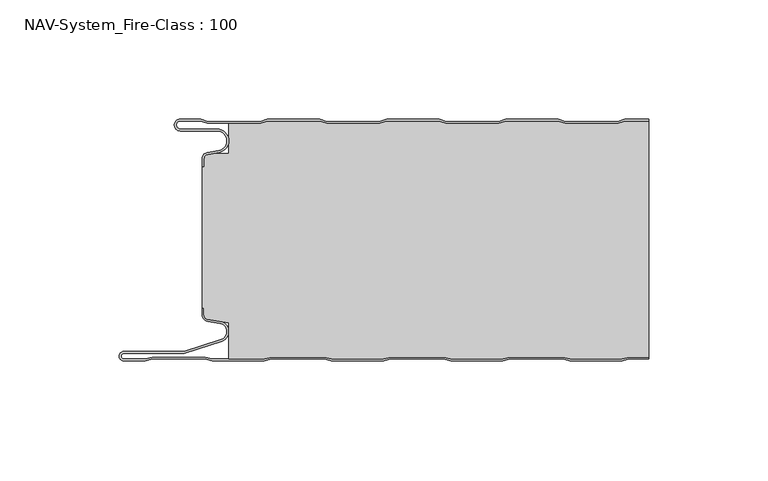
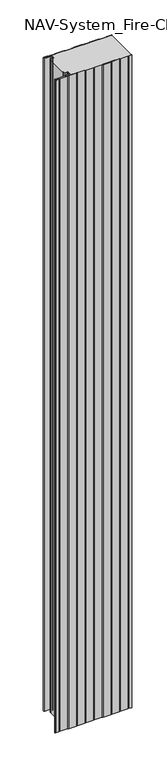
"""IFC4 building model written with IfcOpenShell, lengths in millimetres: plate geometry, NAV-System_Fire-Class : 100."""

from ifc_helpers import new_model, si_unit, frame, origin, place, context, project, spatial, polyline, circle_curve, source, transform, mapped, element, save
from ifc_brep_helpers import plane_surface, cylinder_surface, revolved_surface, advanced_brep


def nav_system_fire_class_100_49f9bff2(model_context):
    return source(origin(), model_context, "Body", "AdvancedBrep", [
        advanced_brep(
        [(-88.6298221, -0.8, 0.0), (-97.0000001, -0.8, 0.0), (-97.0000001, -4.1999999, 0.0), (-81.6002086, -4.1999999, 0.0), (-80.7423864, -14.0049502, 0.0), (-85.6125665, -14.8636946, 0.0), (-87.1000004, -16.6363494, 0.0), (-87.1000014, -19.9421291, 0.0), (-87.9000014, -19.9421291, 0.0), (-87.9000014, -16.6363484, 0.0), (-85.7514853, -14.0758488, 0.0), (-80.8813015, -13.217104, 0.0), (-81.600205, -4.9999999, 0.0), (-97.0000001, -4.9999999, 0.0), (-97.0000001, 0.0, 0.0), (-88.5, 0.0, 0.0), (-85.5, -1.0, 0.0), (-63.5, -1.0, 0.0), (-60.5, 0.0, 0.0), (-38.5, 0.0, 0.0), (-35.5, -1.0, 0.0), (-13.5, -1.0, 0.0), (-10.5, 0.0, 0.0), (11.5, 0.0, 0.0), (14.5, -1.0, 0.0), (36.5, -1.0, 0.0), (39.5, 0.0, 0.0), (61.5, 0.0, 0.0), (64.5, -1.0, 0.0), (86.5, -1.0, 0.0), (89.5, 0.0, 0.0), (99.5, 0.0, 0.0), (99.5, -0.8, 0.0), (89.6298221, -0.8, 0.0), (86.6298221, -1.8, 0.0), (64.3701779, -1.8, 0.0), (61.3701779, -0.8, 0.0), (39.6298221, -0.8, 0.0), (36.6298221, -1.8, 0.0), (14.3701779, -1.8, 0.0), (11.3701779, -0.8, 0.0), (-10.3701779, -0.8, 0.0), (-13.3701779, -1.8, 0.0), (-35.6298221, -1.8, 0.0), (-38.6298221, -0.8, 0.0), (-60.3701779, -0.8, 0.0), (-63.3701779, -1.8, 0.0), (-85.6298221, -1.8, 0.0), (-88.6298221, -0.8, 2000.0), (-85.6298221, -1.8, 2000.0), (-63.3701779, -1.8, 2000.0), (-60.3701779, -0.8, 2000.0), (-38.6298221, -0.8, 2000.0), (-35.6298221, -1.8, 2000.0), (-13.3701779, -1.8, 2000.0), (-10.3701779, -0.8, 2000.0), (11.3701779, -0.8, 2000.0), (14.3701779, -1.8, 2000.0), (36.6298221, -1.8, 2000.0), (39.6298221, -0.8, 2000.0), (61.3701779, -0.8, 2000.0), (64.3701779, -1.8, 2000.0), (86.6298221, -1.8, 2000.0), (89.6298221, -0.8, 2000.0), (99.5, -0.8, 2000.0), (99.5, 0.0, 2000.0), (89.5, 0.0, 2000.0), (86.5, -1.0, 2000.0), (64.5, -1.0, 2000.0), (61.5, 0.0, 2000.0), (39.5, 0.0, 2000.0), (36.5, -1.0, 2000.0), (14.5, -1.0, 2000.0), (11.5, 0.0, 2000.0), (-10.5, 0.0, 2000.0), (-13.5, -1.0, 2000.0), (-35.5, -1.0, 2000.0), (-38.5, 0.0, 2000.0), (-60.5, 0.0, 2000.0), (-63.5, -1.0, 2000.0), (-85.5, -1.0, 2000.0), (-88.5, 0.0, 2000.0), (-97.0000001, 0.0, 2000.0), (-97.0000001, -4.9999999, 2000.0), (-81.600205, -4.9999999, 2000.0), (-80.8813015, -13.217104, 2000.0), (-85.7514853, -14.0758488, 2000.0), (-87.8999997, -16.6363484, 2000.0), (-87.9000014, -19.9421291, 2000.0), (-87.1000014, -19.9421291, 2000.0), (-87.1000014, -16.6363494, 2000.0), (-85.6125665, -14.8636946, 2000.0), (-80.7423864, -14.0049502, 2000.0), (-81.6002086, -4.1999999, 2000.0), (-97.0000001, -4.1999999, 2000.0), (-97.0000001, -0.8000002, 2000.0)],
        [
            (0, 1),
            (1, 2, circle_curve(frame((-97.0000001, -2.5, 0.0), z_axis=(0.0, 0.0, 1.0), x_axis=(1.0, 0.0, 0.0)), 1.6999999)),
            (2, 3),
            (3, 4, circle_curve(frame((-81.6002086, -9.1399999, 0.0), z_axis=(0.0, 0.0, -1.0), x_axis=(1.0, 0.0, 0.0)), 4.94)),
            (4, 5),
            (5, 6, circle_curve(frame((-85.2999995, -16.6363494, 0.0), z_axis=(0.0, 0.0, 1.0), x_axis=(1.0, 0.0, 0.0)), 1.8000009)),
            (6, 7),
            (7, 8),
            (8, 9),
            (9, 10, circle_curve(frame((-85.3000002, -16.6363484, 0.0), z_axis=(0.0, 0.0, -1.0), x_axis=(1.0, 0.0, 0.0)), 2.5999995)),
            (10, 11),
            (11, 12, circle_curve(frame((-81.600205, -9.1399999, 0.0), z_axis=(0.0, 0.0, 1.0), x_axis=(1.0, 0.0, 0.0)), 4.14)),
            (12, 13),
            (13, 14, circle_curve(frame((-97.0000001, -2.4999999, 0.0), z_axis=(0.0, 0.0, -1.0), x_axis=(1.0, 0.0, 0.0)), 2.4999999)),
            (14, 15),
            (15, 16),
            (16, 17),
            (17, 18),
            (18, 19),
            (19, 20),
            (20, 21),
            (21, 22),
            (22, 23),
            (23, 24),
            (24, 25),
            (25, 26),
            (26, 27),
            (27, 28),
            (28, 29),
            (29, 30),
            (30, 31),
            (31, 32),
            (32, 33),
            (33, 34),
            (34, 35),
            (35, 36),
            (36, 37),
            (37, 38),
            (38, 39),
            (39, 40),
            (40, 41),
            (41, 42),
            (42, 43),
            (43, 44),
            (44, 45),
            (45, 46),
            (46, 47),
            (47, 0),
            (48, 49),
            (49, 50),
            (50, 51),
            (51, 52),
            (52, 53),
            (53, 54),
            (54, 55),
            (55, 56),
            (56, 57),
            (57, 58),
            (58, 59),
            (59, 60),
            (60, 61),
            (61, 62),
            (62, 63),
            (63, 64),
            (64, 65),
            (65, 66),
            (66, 67),
            (67, 68),
            (68, 69),
            (69, 70),
            (70, 71),
            (71, 72),
            (72, 73),
            (73, 74),
            (74, 75),
            (75, 76),
            (76, 77),
            (77, 78),
            (78, 79),
            (79, 80),
            (80, 81),
            (81, 82),
            (82, 83, circle_curve(frame((-97.0000001, -2.4999999, 2000.0), z_axis=(0.0, 0.0, 1.0), x_axis=(1.0, 0.0, 0.0)), 2.4999999)),
            (83, 84),
            (84, 85, circle_curve(frame((-81.600205, -9.1399999, 2000.0), z_axis=(0.0, 0.0, -1.0), x_axis=(1.0, 0.0, 0.0)), 4.14)),
            (85, 86),
            (86, 87, circle_curve(frame((-85.3000002, -16.6363484, 2000.0), z_axis=(0.0, 0.0, 1.0), x_axis=(1.0, 0.0, 0.0)), 2.5999995)),
            (87, 88),
            (88, 89),
            (89, 90),
            (90, 91, circle_curve(frame((-85.2999995, -16.6363494, 2000.0), z_axis=(0.0, 0.0, -1.0), x_axis=(1.0, 0.0, 0.0)), 1.8000009)),
            (91, 92),
            (92, 93, circle_curve(frame((-81.6002086, -9.1399999, 2000.0), z_axis=(0.0, 0.0, 1.0), x_axis=(1.0, 0.0, 0.0)), 4.94)),
            (93, 94),
            (94, 95, circle_curve(frame((-97.0000001, -2.5, 2000.0), z_axis=(0.0, 0.0, -1.0), x_axis=(1.0, 0.0, 0.0)), 1.6999999)),
            (95, 48),
            (0, 48),
            (95, 1),
            (14, 82),
            (81, 15),
            (63, 33),
            (32, 64),
            (62, 34),
            (61, 35),
            (60, 36),
            (59, 37),
            (58, 38),
            (57, 39),
            (56, 40),
            (55, 41),
            (54, 42),
            (53, 43),
            (52, 44),
            (51, 45),
            (50, 46),
            (49, 47),
            (80, 16),
            (79, 17),
            (78, 18),
            (77, 19),
            (76, 20),
            (75, 21),
            (74, 22),
            (73, 23),
            (72, 24),
            (71, 25),
            (70, 26),
            (69, 27),
            (68, 28),
            (67, 29),
            (66, 30),
            (65, 31),
            (2, 94),
            (93, 3),
            (6, 90),
            (89, 7),
            (88, 8),
            (87, 9),
            (12, 84),
            (83, 13),
            (92, 4),
            (91, 5),
            (86, 10),
            (85, 11),
        ],
        [
            plane_surface(frame((-99.5, 0.0, 0.0), z_axis=(0.0, 0.0, -1.0), x_axis=(0.0, -1.0, 0.0))),
            plane_surface(frame((-99.5, 0.0, 2000.0), z_axis=(0.0, 0.0, 1.0), x_axis=(0.0, -1.0, 0.0))),
            plane_surface(frame((-88.6298221, -0.8, 0.0), z_axis=(0.0, -1.0, 0.0), x_axis=(0.0, 0.0, 1.0))),
            plane_surface(frame((-97.0000001, 0.0, 0.0), z_axis=(0.0, 1.0, 0.0), x_axis=(0.0, 0.0, 1.0))),
            plane_surface(frame((111.3701779, -0.8, 0.0), z_axis=(0.0, -1.0, 0.0), x_axis=(0.0, 0.0, 1.0))),
            plane_surface(frame((89.6298221, -0.8, 0.0), z_axis=(0.3162277660167413, -0.9486832980505461, 0.0), x_axis=(0.0, 0.0, 1.0))),
            plane_surface(frame((86.6298221, -1.8, 0.0), z_axis=(0.0, -1.0, 0.0), x_axis=(0.0, 0.0, 1.0))),
            plane_surface(frame((64.3701779, -1.8, 0.0), z_axis=(-0.31622776601675356, -0.948683298050542, 0.0), x_axis=(0.0, 0.0, 1.0))),
            plane_surface(frame((61.3701779, -0.8, 0.0), z_axis=(0.0, -1.0, 0.0), x_axis=(0.0, 0.0, 1.0))),
            plane_surface(frame((39.6298221, -0.8, 0.0), z_axis=(0.31622776601679226, -0.9486832980505291, 0.0), x_axis=(0.0, 0.0, 1.0))),
            plane_surface(frame((36.6298221, -1.8, 0.0), z_axis=(0.0, -1.0, 0.0), x_axis=(0.0, 0.0, 1.0))),
            plane_surface(frame((14.3701779, -1.8, 0.0), z_axis=(-0.3162277660168045, -0.948683298050525, 0.0), x_axis=(0.0, 0.0, 1.0))),
            plane_surface(frame((11.3701779, -0.8, 0.0), z_axis=(0.0, -1.0, 0.0), x_axis=(0.0, 0.0, 1.0))),
            plane_surface(frame((-10.3701779, -0.8, 0.0), z_axis=(0.31622776601679226, -0.9486832980505291, 0.0), x_axis=(0.0, 0.0, 1.0))),
            plane_surface(frame((-13.3701779, -1.8, 0.0), z_axis=(0.0, -1.0, 0.0), x_axis=(0.0, 0.0, 1.0))),
            plane_surface(frame((-35.6298221, -1.8, 0.0), z_axis=(-0.3162277660168045, -0.948683298050525, 0.0), x_axis=(0.0, 0.0, 1.0))),
            plane_surface(frame((-38.6298221, -0.8, 0.0), z_axis=(0.0, -1.0, 0.0), x_axis=(0.0, 0.0, 1.0))),
            plane_surface(frame((-60.3701779, -0.8, 0.0), z_axis=(0.3162277660167413, -0.9486832980505461, 0.0), x_axis=(0.0, 0.0, 1.0))),
            plane_surface(frame((-63.3701779, -1.8, 0.0), z_axis=(0.0, -1.0, 0.0), x_axis=(0.0, 0.0, 1.0))),
            plane_surface(frame((-85.6298221, -1.8, 0.0), z_axis=(-0.3162277660167413, -0.9486832980505461, 0.0), x_axis=(0.0, 0.0, 1.0))),
            plane_surface(frame((-88.5, 0.0, 0.0), z_axis=(0.31622776601671865, 0.9486832980505536, 0.0), x_axis=(0.0, 0.0, 1.0))),
            plane_surface(frame((-85.5, -1.0, 0.0), z_axis=(0.0, 1.0, 0.0), x_axis=(0.0, 0.0, 1.0))),
            plane_surface(frame((-63.5, -1.0, 0.0), z_axis=(-0.31622776601671865, 0.9486832980505536, 0.0), x_axis=(0.0, 0.0, 1.0))),
            plane_surface(frame((-60.5, 0.0, 0.0), z_axis=(0.0, 1.0, 0.0), x_axis=(0.0, 0.0, 1.0))),
            plane_surface(frame((-38.5, 0.0, 0.0), z_axis=(0.31622776601678754, 0.9486832980505306, 0.0), x_axis=(0.0, 0.0, 1.0))),
            plane_surface(frame((-35.5, -1.0, 0.0), z_axis=(0.0, 1.0, 0.0), x_axis=(0.0, 0.0, 1.0))),
            plane_surface(frame((-13.5, -1.0, 0.0), z_axis=(-0.3162277660167752, 0.9486832980505348, 0.0), x_axis=(0.0, 0.0, 1.0))),
            plane_surface(frame((-10.5, 0.0, 0.0), z_axis=(0.0, 1.0, 0.0), x_axis=(0.0, 0.0, 1.0))),
            plane_surface(frame((11.5, 0.0, 0.0), z_axis=(0.31622776601678754, 0.9486832980505306, 0.0), x_axis=(0.0, 0.0, 1.0))),
            plane_surface(frame((14.5, -1.0, 0.0), z_axis=(0.0, 1.0, 0.0), x_axis=(0.0, 0.0, 1.0))),
            plane_surface(frame((36.5, -1.0, 0.0), z_axis=(-0.3162277660167752, 0.9486832980505348, 0.0), x_axis=(0.0, 0.0, 1.0))),
            plane_surface(frame((39.5, 0.0, 0.0), z_axis=(0.0, 1.0, 0.0), x_axis=(0.0, 0.0, 1.0))),
            plane_surface(frame((61.5, 0.0, 0.0), z_axis=(0.3162277660167309, 0.9486832980505495, 0.0), x_axis=(0.0, 0.0, 1.0))),
            plane_surface(frame((64.5, -1.0, 0.0), z_axis=(0.0, 1.0, 0.0), x_axis=(0.0, 0.0, 1.0))),
            plane_surface(frame((86.5, -1.0, 0.0), z_axis=(-0.31622776601671865, 0.9486832980505536, 0.0), x_axis=(0.0, 0.0, 1.0))),
            plane_surface(frame((89.5, 0.0, 0.0), z_axis=(0.0, 1.0, 0.0), x_axis=(0.0, 0.0, 1.0))),
            plane_surface(frame((-97.0000001, -4.1999999, 0.0), z_axis=(0.0, 1.0, 0.0), x_axis=(0.0, 0.0, 1.0))),
            plane_surface(frame((-87.1000014, -16.6363494, 0.0), z_axis=(1.0, 0.0, 0.0), x_axis=(0.0, 0.0, 1.0))),
            plane_surface(frame((-87.1000014, -19.9421291, 0.0), z_axis=(0.0, -1.0, 0.0), x_axis=(0.0, 0.0, 1.0))),
            plane_surface(frame((-87.9000014, -19.9421291, 0.0), z_axis=(-1.0, 0.0, 0.0), x_axis=(0.0, 0.0, 1.0))),
            plane_surface(frame((-81.600205, -4.9999999, 0.0), z_axis=(0.0, -1.0, 0.0), x_axis=(0.0, 0.0, 1.0))),
            revolved_surface(polyline([(-95.3000002, -2.5, 2000.0), (-95.3000002, -2.5, 0.0)]), (-97.0000001, -2.5, 0.0), (0.0, 0.0, 1.0)),
            cylinder_surface(frame((-81.6002086, -9.1399999, 0.0), z_axis=(0.0, 0.0, -1.0), x_axis=(1.0, 0.0, 0.0)), 4.94),
            plane_surface(frame((-80.7423864, -14.0049502, 0.0), z_axis=(0.17364822279076972, -0.9848077450556567, 0.0), x_axis=(0.0, 0.0, 1.0))),
            revolved_surface(polyline([(-83.4999986, -16.6363494, 2000.0), (-83.4999986, -16.6363494, 0.0)]), (-85.2999995, -16.6363494, 0.0), (0.0, 0.0, 1.0)),
            cylinder_surface(frame((-85.3000002, -16.6363484, 0.0), z_axis=(0.0, 0.0, -1.0), x_axis=(1.0, 0.0, 0.0)), 2.5999995),
            plane_surface(frame((-85.7514853, -14.0758488, 0.0), z_axis=(-0.17364817295915452, 0.984807753842316, 0.0), x_axis=(0.0, 0.0, 1.0))),
            revolved_surface(polyline([(-77.460205, -9.1399999, 2000.0), (-77.460205, -9.1399999, 0.0)]), (-81.600205, -9.1399999, 0.0), (0.0, 0.0, 1.0)),
            cylinder_surface(frame((-97.0000001, -2.4999999, 0.0), z_axis=(0.0, 0.0, -1.0), x_axis=(1.0, 0.0, 0.0)), 2.4999999),
            plane_surface(frame((99.5, 100.0, 2000.0), z_axis=(1.0, 0.0, 0.0), x_axis=(0.0, 0.0, -1.0))),
        ],
        [
            (0, [[1, 2, 3, 4, 5, 6, 7, 8, 9, 10, 11, 12, 13, 14, 15, 16, 17, 18, 19, 20, 21, 22, 23, 24, 25, 26, 27, 28, 29, 30, 31, 32, 33, 34, 35, 36, 37, 38, 39, 40, 41, 42, 43, 44, 45, 46, 47, 48]]),
            (1, [[49, 50, 51, 52, 53, 54, 55, 56, 57, 58, 59, 60, 61, 62, 63, 64, 65, 66, 67, 68, 69, 70, 71, 72, 73, 74, 75, 76, 77, 78, 79, 80, 81, 82, 83, 84, 85, 86, 87, 88, 89, 90, 91, 92, 93, 94, 95, 96]]),
            (2, [[-1, 97, -96, 98]]),
            (3, [[-15, 99, -82, 100]]),
            (4, [[101, -33, 102, -64]]),
            (5, [[-34, -101, -63, 103]]),
            (6, [[-35, -103, -62, 104]]),
            (7, [[-36, -104, -61, 105]]),
            (8, [[-37, -105, -60, 106]]),
            (9, [[-38, -106, -59, 107]]),
            (10, [[-39, -107, -58, 108]]),
            (11, [[-40, -108, -57, 109]]),
            (12, [[-41, -109, -56, 110]]),
            (13, [[-42, -110, -55, 111]]),
            (14, [[-43, -111, -54, 112]]),
            (15, [[-44, -112, -53, 113]]),
            (16, [[-45, -113, -52, 114]]),
            (17, [[-46, -114, -51, 115]]),
            (18, [[-47, -115, -50, 116]]),
            (19, [[-48, -116, -49, -97]]),
            (20, [[-16, -100, -81, 117]]),
            (21, [[-17, -117, -80, 118]]),
            (22, [[-18, -118, -79, 119]]),
            (23, [[-19, -119, -78, 120]]),
            (24, [[-20, -120, -77, 121]]),
            (25, [[-21, -121, -76, 122]]),
            (26, [[-22, -122, -75, 123]]),
            (27, [[-23, -123, -74, 124]]),
            (28, [[-24, -124, -73, 125]]),
            (29, [[-25, -125, -72, 126]]),
            (30, [[-26, -126, -71, 127]]),
            (31, [[-27, -127, -70, 128]]),
            (32, [[-28, -128, -69, 129]]),
            (33, [[-29, -129, -68, 130]]),
            (34, [[-30, -130, -67, 131]]),
            (35, [[-131, -66, 132, -31]]),
            (36, [[-3, 133, -94, 134]]),
            (37, [[-7, 135, -90, 136]]),
            (38, [[-8, -136, -89, 137]]),
            (39, [[-9, -137, -88, 138]]),
            (40, [[-13, 139, -84, 140]]),
            (41, [[-2, -98, -95, -133]]),
            (42, [[-4, -134, -93, 141]]),
            (43, [[-5, -141, -92, 142]]),
            (44, [[-6, -142, -91, -135]]),
            (45, [[-10, -138, -87, 143]]),
            (46, [[-11, -143, -86, 144]]),
            (47, [[-12, -144, -85, -139]]),
            (48, [[-14, -140, -83, -99]]),
            (49, [[-32, -132, -65, -102]]),
        ],
    ),
        advanced_brep(
        [(89.6181262, -0.8, 2000.0), (86.6181262, -1.8, 2000.0), (64.3584819, -1.8, 2000.0), (61.3584819, -0.8, 2000.0), (39.6181262, -0.8, 2000.0), (36.6181262, -1.8, 2000.0), (14.3584819, -1.8, 2000.0), (11.3584819, -0.8, 2000.0), (-10.3818738, -0.8, 2000.0), (-13.3818738, -1.8, 2000.0), (-35.6415181, -1.8, 2000.0), (-38.6415181, -0.8, 2000.0), (-60.3818738, -0.8, 2000.0), (-63.3818738, -1.8, 2000.0), (-76.6719045, -1.8, 2000.0), (-76.6719045, -14.4343223, 2000.0), (-83.1891722, -14.4343223, 2000.0), (-85.6242625, -14.8636946, 2000.0), (-87.1116964, -16.636349, 2000.0), (-87.1116974, -19.9512003, 2000.0), (-87.9116974, -19.9512003, 2000.0), (-87.9116974, -79.3983656, 2000.0), (-87.1116974, -79.3983656, 2000.0), (-87.1116974, -82.1656409, 2000.0), (-85.4245663, -84.1410176, 2000.0), (-76.6248082, -85.5347623, 2000.0), (-76.6248082, -100.8, 2000.0), (-61.8218295, -100.8, 2000.0), (-58.7610803, -100.0, 2000.0), (-36.5891849, -100.0, 2000.0), (-33.5284357, -100.8, 2000.0), (-11.8218295, -100.8, 2000.0), (-8.7610803, -100.0, 2000.0), (13.4108151, -100.0, 2000.0), (16.4715643, -100.8, 2000.0), (38.1904, -100.8, 2000.0), (41.2511493, -100.0, 2000.0), (63.4108151, -100.0, 2000.0), (66.4715643, -100.8, 2000.0), (88.1781705, -100.8, 2000.0), (91.2389197, -100.0, 2000.0), (99.5, -100.0, 2000.0), (99.5, -0.8, 2000.0), (91.2389197, -100.0, 0.0), (88.1781705, -100.8, 0.0), (66.4715643, -100.8, 0.0), (63.4108151, -100.0, 0.0), (41.2511493, -100.0, 0.0), (38.1904, -100.8, 0.0), (16.4715643, -100.8, 0.0), (13.4108151, -100.0, 0.0), (-8.7610803, -100.0, 0.0), (-11.8218295, -100.8, 0.0), (-33.5284357, -100.8, 0.0), (-36.5891849, -100.0, 0.0), (-58.7610803, -100.0, 0.0), (-61.8218295, -100.8, 0.0), (-76.6248082, -100.8, 0.0), (-76.6248082, -85.5347623, 0.0), (-85.4245663, -84.1410176, 0.0), (-87.1116974, -82.1656409, 0.0), (-87.1116974, -79.3983656, 0.0), (-87.9116974, -79.3983656, 0.0), (-87.9116974, -19.9512003, 0.0), (-87.1116974, -19.9512003, 0.0), (-87.1116974, -16.636349, 0.0), (-85.6242625, -14.8636946, 0.0), (-83.1891722, -14.4343223, 0.0), (-76.6719045, -14.4343223, 0.0), (-76.6719045, -1.8, 0.0), (-63.3818738, -1.8, 0.0), (-60.3818738, -0.8, 0.0), (-38.6415181, -0.8, 0.0), (-35.6415181, -1.8, 0.0), (-13.3818738, -1.8, 0.0), (-10.3818738, -0.8, 0.0), (11.3584819, -0.8, 0.0), (14.3584819, -1.8, 0.0), (36.6181262, -1.8, 0.0), (39.6181262, -0.8, 0.0), (61.3584819, -0.8, 0.0), (64.3584819, -1.8, 0.0), (86.6181262, -1.8, 0.0), (89.6181262, -0.8, 0.0), (99.5, -0.8, 0.0), (99.5, -100.0, 0.0)],
        [
            (0, 1),
            (1, 2),
            (2, 3),
            (3, 4),
            (4, 5),
            (5, 6),
            (6, 7),
            (7, 8),
            (8, 9),
            (9, 10),
            (10, 11),
            (11, 12),
            (12, 13),
            (13, 14),
            (14, 15),
            (15, 16),
            (16, 17),
            (17, 18, circle_curve(frame((-85.3116955, -16.6363494, 2000.0), z_axis=(0.0, 0.0, 1.0), x_axis=(1.0, 0.0, 0.0)), 1.8000009)),
            (18, 19),
            (19, 20),
            (20, 21),
            (21, 22),
            (22, 23),
            (23, 24, circle_curve(frame((-85.1116974, -82.1656409, 2000.0), z_axis=(0.0, 0.0, 1.0), x_axis=(1.0, 0.0, 0.0)), 2.0)),
            (24, 25),
            (25, 26),
            (26, 27),
            (27, 28),
            (28, 29),
            (29, 30),
            (30, 31),
            (31, 32),
            (32, 33),
            (33, 34),
            (34, 35),
            (35, 36),
            (36, 37),
            (37, 38),
            (38, 39),
            (39, 40),
            (40, 41),
            (41, 42),
            (42, 0),
            (43, 44),
            (44, 45),
            (45, 46),
            (46, 47),
            (47, 48),
            (48, 49),
            (49, 50),
            (50, 51),
            (51, 52),
            (52, 53),
            (53, 54),
            (54, 55),
            (55, 56),
            (56, 57),
            (57, 58),
            (58, 59),
            (59, 60, circle_curve(frame((-85.1116974, -82.1656409, 0.0), z_axis=(0.0, 0.0, -1.0), x_axis=(1.0, 0.0, 0.0)), 2.0)),
            (60, 61),
            (61, 62),
            (62, 63),
            (63, 64),
            (64, 65),
            (65, 66, circle_curve(frame((-85.3116955, -16.6363494, 0.0), z_axis=(0.0, 0.0, -1.0), x_axis=(1.0, 0.0, 0.0)), 1.8000009)),
            (66, 67),
            (67, 68),
            (68, 69),
            (69, 70),
            (70, 71),
            (71, 72),
            (72, 73),
            (73, 74),
            (74, 75),
            (75, 76),
            (76, 77),
            (77, 78),
            (78, 79),
            (79, 80),
            (80, 81),
            (81, 82),
            (82, 83),
            (83, 84),
            (84, 85),
            (85, 43),
            (83, 0),
            (42, 84),
            (82, 1),
            (81, 2),
            (80, 3),
            (79, 4),
            (78, 5),
            (77, 6),
            (76, 7),
            (75, 8),
            (74, 9),
            (73, 10),
            (72, 11),
            (71, 12),
            (70, 13),
            (69, 14),
            (68, 15),
            (67, 16),
            (66, 17),
            (65, 18),
            (64, 19),
            (63, 20),
            (62, 21),
            (61, 22),
            (60, 23),
            (59, 24),
            (58, 25),
            (57, 26),
            (56, 27),
            (55, 28),
            (54, 29),
            (53, 30),
            (52, 31),
            (51, 32),
            (50, 33),
            (49, 34),
            (48, 35),
            (47, 36),
            (46, 37),
            (45, 38),
            (44, 39),
            (43, 40),
            (85, 41),
        ],
        [
            plane_surface(frame((-99.5, 0.0, 2000.0), z_axis=(0.0, 0.0, 1.0), x_axis=(0.0, -1.0, 0.0))),
            plane_surface(frame((-99.5, 0.0, 0.0), z_axis=(0.0, 0.0, -1.0), x_axis=(0.0, -1.0, 0.0))),
            plane_surface(frame((111.3584819, -0.8, 2000.0), z_axis=(0.0, 1.0, 0.0), x_axis=(0.0, 0.0, -1.0))),
            plane_surface(frame((89.6181262, -0.8, 2000.0), z_axis=(-0.31622776601684405, 0.9486832980505119, 0.0), x_axis=(0.0, 0.0, -1.0))),
            plane_surface(frame((86.6181262, -1.8, 2000.0), z_axis=(0.0, 1.0, 0.0), x_axis=(0.0, 0.0, -1.0))),
            plane_surface(frame((64.3584819, -1.8, 2000.0), z_axis=(0.3162277660164755, 0.9486832980506347, 0.0), x_axis=(0.0, 0.0, -1.0))),
            plane_surface(frame((61.3584819, -0.8, 2000.0), z_axis=(0.0, 1.0, 0.0), x_axis=(0.0, 0.0, -1.0))),
            plane_surface(frame((39.6181262, -0.8, 2000.0), z_axis=(-0.3162277660169692, 0.94868329805047, 0.0), x_axis=(0.0, 0.0, -1.0))),
            plane_surface(frame((36.6181262, -1.8, 2000.0), z_axis=(0.0, 1.0, 0.0), x_axis=(0.0, 0.0, -1.0))),
            plane_surface(frame((14.3584819, -1.8, 2000.0), z_axis=(0.31622776601655256, 0.948683298050609, 0.0), x_axis=(0.0, 0.0, -1.0))),
            plane_surface(frame((11.3584819, -0.8, 2000.0), z_axis=(0.0, 1.0, 0.0), x_axis=(0.0, 0.0, -1.0))),
            plane_surface(frame((-10.3818738, -0.8, 2000.0), z_axis=(-0.31622776601696284, 0.9486832980504722, 0.0), x_axis=(0.0, 0.0, -1.0))),
            plane_surface(frame((-13.3818738, -1.8, 2000.0), z_axis=(0.0, 1.0, 0.0), x_axis=(0.0, 0.0, -1.0))),
            plane_surface(frame((-35.6415181, -1.8, 2000.0), z_axis=(0.31622776601661995, 0.9486832980505865, 0.0), x_axis=(0.0, 0.0, -1.0))),
            plane_surface(frame((-38.6415181, -0.8, 2000.0), z_axis=(0.0, 1.0, 0.0), x_axis=(0.0, 0.0, -1.0))),
            plane_surface(frame((-60.3818738, -0.8, 2000.0), z_axis=(-0.3162277660168055, 0.9486832980505246, 0.0), x_axis=(0.0, 0.0, -1.0))),
            plane_surface(frame((-63.3818738, -1.8, 2000.0), z_axis=(0.0, 1.0, 0.0), x_axis=(0.0, 0.0, -1.0))),
            plane_surface(frame((-76.6719045, -1.8, 2000.0), z_axis=(-1.0, 0.0, 0.0), x_axis=(0.0, 0.0, -1.0))),
            plane_surface(frame((-76.6719045, -14.4343223, 2000.0), z_axis=(0.0, 1.0, 0.0), x_axis=(0.0, 0.0, -1.0))),
            plane_surface(frame((-83.1891722, -14.4343223, 2000.0), z_axis=(-0.17364822279077605, 0.9848077450556556, 0.0), x_axis=(0.0, 0.0, -1.0))),
            cylinder_surface(frame((-85.3116955, -16.6363494, 2000.0), z_axis=(0.0, 0.0, 1.0), x_axis=(1.0, 0.0, 0.0)), 1.8000009),
            plane_surface(frame((-87.1116974, -16.636349, 2000.0), z_axis=(-1.0, 0.0, 0.0), x_axis=(0.0, 0.0, -1.0))),
            plane_surface(frame((-87.1116974, -19.9512003, 2000.0), z_axis=(0.0, 1.0, 0.0), x_axis=(0.0, 0.0, -1.0))),
            plane_surface(frame((-87.9116974, -19.9512003, 2000.0), z_axis=(-1.0, 0.0, 0.0), x_axis=(0.0, 0.0, -1.0))),
            plane_surface(frame((-87.9116974, -79.3983656, 2000.0), z_axis=(0.0, -1.0, 0.0), x_axis=(0.0, 0.0, -1.0))),
            plane_surface(frame((-87.1116974, -79.3983656, 2000.0), z_axis=(-1.0, 0.0, 0.0), x_axis=(0.0, 0.0, -1.0))),
            cylinder_surface(frame((-85.1116974, -82.1656409, 2000.0), z_axis=(0.0, 0.0, 1.0), x_axis=(1.0, 0.0, 0.0)), 2.0),
            plane_surface(frame((-85.4245663, -84.1410176, 2000.0), z_axis=(-0.15643446504001107, -0.9876883405951726, 0.0), x_axis=(0.0, 0.0, -1.0))),
            plane_surface(frame((-76.6248082, -85.5347623, 2000.0), z_axis=(-1.0, 0.0, 0.0), x_axis=(0.0, 0.0, -1.0))),
            plane_surface(frame((-76.6248082, -100.8, 2000.0), z_axis=(0.0, -1.0, 0.0), x_axis=(0.0, 0.0, -1.0))),
            plane_surface(frame((-61.8218295, -100.8, 2000.0), z_axis=(0.25287873100818337, -0.9674979831522601, 0.0), x_axis=(0.0, 0.0, -1.0))),
            plane_surface(frame((-58.7610803, -100.0, 2000.0), z_axis=(0.0, -1.0, 0.0), x_axis=(0.0, 0.0, -1.0))),
            plane_surface(frame((-36.5891849, -100.0, 2000.0), z_axis=(-0.2528787310087691, -0.967497983152107, 0.0), x_axis=(0.0, 0.0, -1.0))),
            plane_surface(frame((-33.5284357, -100.8, 2000.0), z_axis=(0.0, -1.0, 0.0), x_axis=(0.0, 0.0, -1.0))),
            plane_surface(frame((-11.8218295, -100.8, 2000.0), z_axis=(0.25287873100830627, -0.9674979831522279, 0.0), x_axis=(0.0, 0.0, -1.0))),
            plane_surface(frame((-8.7610803, -100.0, 2000.0), z_axis=(0.0, -1.0, 0.0), x_axis=(0.0, 0.0, -1.0))),
            plane_surface(frame((13.4108151, -100.0, 2000.0), z_axis=(-0.25287873100840635, -0.9674979831522017, 0.0), x_axis=(0.0, 0.0, -1.0))),
            plane_surface(frame((16.4715643, -100.8, 2000.0), z_axis=(0.0, -1.0, 0.0), x_axis=(0.0, 0.0, -1.0))),
            plane_surface(frame((38.1904, -100.8, 2000.0), z_axis=(0.25287873100815833, -0.9674979831522666, 0.0), x_axis=(0.0, 0.0, -1.0))),
            plane_surface(frame((41.2511493, -100.0, 2000.0), z_axis=(0.0, -1.0, 0.0), x_axis=(0.0, 0.0, -1.0))),
            plane_surface(frame((63.4108151, -100.0, 2000.0), z_axis=(-0.252878731008344, -0.967497983152218, 0.0), x_axis=(0.0, 0.0, -1.0))),
            plane_surface(frame((66.4715643, -100.8, 2000.0), z_axis=(0.0, -1.0, 0.0), x_axis=(0.0, 0.0, -1.0))),
            plane_surface(frame((88.1781705, -100.8, 2000.0), z_axis=(0.2528787310082885, -0.9674979831522326, 0.0), x_axis=(0.0, 0.0, -1.0))),
            plane_surface(frame((91.2389197, -100.0, 2000.0), z_axis=(0.0, -1.0, 0.0), x_axis=(0.0, 0.0, -1.0))),
            plane_surface(frame((99.5, 100.0, 2000.0), z_axis=(1.0, 0.0, 0.0), x_axis=(0.0, 0.0, -1.0))),
        ],
        [
            (0, [[1, 2, 3, 4, 5, 6, 7, 8, 9, 10, 11, 12, 13, 14, 15, 16, 17, 18, 19, 20, 21, 22, 23, 24, 25, 26, 27, 28, 29, 30, 31, 32, 33, 34, 35, 36, 37, 38, 39, 40, 41, 42, 43]]),
            (1, [[44, 45, 46, 47, 48, 49, 50, 51, 52, 53, 54, 55, 56, 57, 58, 59, 60, 61, 62, 63, 64, 65, 66, 67, 68, 69, 70, 71, 72, 73, 74, 75, 76, 77, 78, 79, 80, 81, 82, 83, 84, 85, 86]]),
            (2, [[87, -43, 88, -84]]),
            (3, [[-1, -87, -83, 89]]),
            (4, [[-2, -89, -82, 90]]),
            (5, [[-3, -90, -81, 91]]),
            (6, [[-4, -91, -80, 92]]),
            (7, [[-5, -92, -79, 93]]),
            (8, [[-6, -93, -78, 94]]),
            (9, [[-7, -94, -77, 95]]),
            (10, [[-8, -95, -76, 96]]),
            (11, [[-9, -96, -75, 97]]),
            (12, [[-10, -97, -74, 98]]),
            (13, [[-11, -98, -73, 99]]),
            (14, [[-12, -99, -72, 100]]),
            (15, [[-13, -100, -71, 101]]),
            (16, [[-14, -101, -70, 102]]),
            (17, [[-15, -102, -69, 103]]),
            (18, [[-16, -103, -68, 104]]),
            (19, [[-17, -104, -67, 105]]),
            (20, [[-18, -105, -66, 106]]),
            (21, [[-19, -106, -65, 107]]),
            (22, [[-20, -107, -64, 108]]),
            (23, [[-21, -108, -63, 109]]),
            (24, [[-22, -109, -62, 110]]),
            (25, [[-23, -110, -61, 111]]),
            (26, [[-24, -111, -60, 112]]),
            (27, [[-25, -112, -59, 113]]),
            (28, [[-26, -113, -58, 114]]),
            (29, [[-27, -114, -57, 115]]),
            (30, [[-28, -115, -56, 116]]),
            (31, [[-29, -116, -55, 117]]),
            (32, [[-30, -117, -54, 118]]),
            (33, [[-31, -118, -53, 119]]),
            (34, [[-32, -119, -52, 120]]),
            (35, [[-33, -120, -51, 121]]),
            (36, [[-34, -121, -50, 122]]),
            (37, [[-35, -122, -49, 123]]),
            (38, [[-36, -123, -48, 124]]),
            (39, [[-37, -124, -47, 125]]),
            (40, [[-38, -125, -46, 126]]),
            (41, [[-39, -126, -45, 127]]),
            (42, [[-40, -127, -44, 128]]),
            (43, [[-128, -86, 129, -41]]),
            (44, [[-42, -129, -85, -88]]),
        ],
    ),
        advanced_brep(
        [(91.239397, -100.0, 2000.0), (88.1786477, -100.8, 2000.0), (66.4720416, -100.8, 2000.0), (63.4112923, -100.0, 2000.0), (41.2516265, -100.0, 2000.0), (38.1908772, -100.8, 2000.0), (16.4720416, -100.8, 2000.0), (13.4112923, -100.0, 2000.0), (-8.760603, -100.0, 2000.0), (-11.8213523, -100.8, 2000.0), (-33.5279584, -100.8, 2000.0), (-36.5887077, -100.0, 2000.0), (-58.760603, -100.0, 2000.0), (-61.8213523, -100.8, 2000.0), (-83.5279584, -100.8, 2000.0), (-86.5887077, -100.0, 2000.0), (-108.760603, -100.0, 2000.0), (-111.8190206, -100.7993906, 2000.0), (-120.7154182, -100.7993906, 2000.0), (-120.6771783, -98.4000003, 2000.0), (-95.3414726, -98.4000003, 2000.0), (-79.6231923, -93.2926893, 2000.0), (-80.2358126, -84.9629887, 2000.0), (-85.4240891, -84.1412465, 2000.0), (-87.1112201, -82.1658698, 2000.0), (-87.1112201, -79.3985945, 2000.0), (-87.9112201, -79.3985945, 2000.0), (-87.9112201, -82.1658698, 2000.0), (-85.5140582, -84.93674, 2000.0), (-80.4044746, -85.7460185, 2000.0), (-79.8704103, -92.5316172, 2000.0), (-95.4681798, -97.6000003, 2000.0), (-120.6771783, -97.6000003, 2000.0), (-120.726556, -101.5993906, 2000.0), (-111.7161981, -101.5993906, 2000.0), (-108.6577806, -100.8, 2000.0), (-86.6915302, -100.8, 2000.0), (-83.6307809, -101.6, 2000.0), (-61.7185298, -101.6, 2000.0), (-58.6577806, -100.8, 2000.0), (-36.6915302, -100.8, 2000.0), (-33.6307809, -101.6, 2000.0), (-11.7185298, -101.6, 2000.0), (-8.6577806, -100.8, 2000.0), (13.3084698, -100.8, 2000.0), (16.3692191, -101.6, 2000.0), (38.2936997, -101.6, 2000.0), (41.354449, -100.8, 2000.0), (63.3084698, -100.8, 2000.0), (66.3692191, -101.6, 2000.0), (88.2814702, -101.6, 2000.0), (91.3422194, -100.8, 2000.0), (99.5, -100.8, 2000.0), (99.5, -100.0, 2000.0), (91.3422194, -100.8, 0.0), (88.2814702, -101.6, 0.0), (66.3692191, -101.6, 0.0), (63.3084698, -100.8, 0.0), (41.354449, -100.8, 0.0), (38.2936997, -101.6, 0.0), (16.3692191, -101.6, 0.0), (13.3084698, -100.8, 0.0), (-8.6577806, -100.8, 0.0), (-11.7185298, -101.6, 0.0), (-33.6307809, -101.6, 0.0), (-36.6915302, -100.8, 0.0), (-58.6577806, -100.8, 0.0), (-61.7185298, -101.6, 0.0), (-83.6307809, -101.6, 0.0), (-86.6915302, -100.8, 0.0), (-108.6577806, -100.8, 0.0), (-111.7161981, -101.5993906, 0.0), (-120.726556, -101.5993906, 0.0), (-120.6771783, -97.6000003, 0.0), (-95.4681798, -97.6000003, 0.0), (-79.8704103, -92.5318461, 0.0), (-80.4044746, -85.7460185, 0.0), (-85.5140582, -84.93674, 0.0), (-87.9112201, -82.1658698, 0.0), (-87.9112201, -79.3985945, 0.0), (-87.1112201, -79.3985945, 0.0), (-87.1112201, -82.1658698, 0.0), (-85.4240891, -84.1412465, 0.0), (-80.2358126, -84.9629887, 0.0), (-79.6231923, -93.2924604, 0.0), (-95.3414726, -98.4000003, 0.0), (-120.6771783, -98.4000003, 0.0), (-120.7154182, -100.7993906, 0.0), (-111.8190206, -100.7993906, 0.0), (-108.760603, -100.0, 0.0), (-86.5887077, -100.0, 0.0), (-83.5279584, -100.8, 0.0), (-61.8213523, -100.8, 0.0), (-58.760603, -100.0, 0.0), (-36.5887077, -100.0, 0.0), (-33.5279584, -100.8, 0.0), (-11.8213523, -100.8, 0.0), (-8.760603, -100.0, 0.0), (13.4112923, -100.0, 0.0), (16.4720416, -100.8, 0.0), (38.1908772, -100.8, 0.0), (41.2516265, -100.0, 0.0), (63.4112923, -100.0, 0.0), (66.4720416, -100.8, 0.0), (88.1786477, -100.8, 0.0), (91.239397, -100.0, 0.0), (99.5, -100.0, 0.0), (99.5, -100.8, 0.0)],
        [
            (0, 1),
            (1, 2),
            (2, 3),
            (3, 4),
            (4, 5),
            (5, 6),
            (6, 7),
            (7, 8),
            (8, 9),
            (9, 10),
            (10, 11),
            (11, 12),
            (12, 13),
            (13, 14),
            (14, 15),
            (15, 16),
            (16, 17),
            (17, 18),
            (18, 19, circle_curve(frame((-120.6771783, -99.6000001, 2000.0), z_axis=(0.0, 0.0, -1.0), x_axis=(1.0, 0.0, 0.0)), 1.1999999)),
            (19, 20),
            (20, 21),
            (21, 22, circle_curve(frame((-80.9519964, -89.2029275, 2000.0), z_axis=(0.0, 0.0, 1.0), x_axis=(1.0, 0.0, 0.0)), 4.3)),
            (22, 23),
            (23, 24, circle_curve(frame((-85.1112201, -82.1658698, 2000.0), z_axis=(0.0, 0.0, -1.0), x_axis=(1.0, 0.0, 0.0)), 2.0)),
            (24, 25),
            (25, 26),
            (26, 27),
            (27, 28, circle_curve(frame((-85.1112201, -82.1658698, 2000.0), z_axis=(0.0, 0.0, 1.0), x_axis=(1.0, 0.0, 0.0)), 2.8)),
            (28, 29),
            (29, 30, circle_curve(frame((-80.9519952, -89.2029277, 2000.0), z_axis=(0.0, 0.0, -1.0), x_axis=(1.0, 0.0, 0.0)), 3.5)),
            (30, 31),
            (31, 32),
            (32, 33, circle_curve(frame((-120.6771783, -99.6000003, 2000.0), z_axis=(0.0, 0.0, 1.0), x_axis=(1.0, 0.0, 0.0)), 1.9999999)),
            (33, 34),
            (34, 35),
            (35, 36),
            (36, 37),
            (37, 38),
            (38, 39),
            (39, 40),
            (40, 41),
            (41, 42),
            (42, 43),
            (43, 44),
            (44, 45),
            (45, 46),
            (46, 47),
            (47, 48),
            (48, 49),
            (49, 50),
            (50, 51),
            (51, 52),
            (52, 53),
            (53, 0),
            (54, 55),
            (55, 56),
            (56, 57),
            (57, 58),
            (58, 59),
            (59, 60),
            (60, 61),
            (61, 62),
            (62, 63),
            (63, 64),
            (64, 65),
            (65, 66),
            (66, 67),
            (67, 68),
            (68, 69),
            (69, 70),
            (70, 71),
            (71, 72),
            (72, 73, circle_curve(frame((-120.6771783, -99.6000003, 0.0), z_axis=(0.0, 0.0, -1.0), x_axis=(1.0, 0.0, 0.0)), 1.9999999)),
            (73, 74),
            (74, 75),
            (75, 76, circle_curve(frame((-80.9519952, -89.2029277, 0.0), z_axis=(0.0, 0.0, 1.0), x_axis=(1.0, 0.0, 0.0)), 3.5)),
            (76, 77),
            (77, 78, circle_curve(frame((-85.1112201, -82.1658698, 0.0), z_axis=(0.0, 0.0, -1.0), x_axis=(1.0, 0.0, 0.0)), 2.8)),
            (78, 79),
            (79, 80),
            (80, 81),
            (81, 82, circle_curve(frame((-85.1112201, -82.1658698, 0.0), z_axis=(0.0, 0.0, 1.0), x_axis=(1.0, 0.0, 0.0)), 2.0)),
            (82, 83),
            (83, 84, circle_curve(frame((-80.9519964, -89.2029275, 0.0), z_axis=(0.0, 0.0, -1.0), x_axis=(1.0, 0.0, 0.0)), 4.3)),
            (84, 85),
            (85, 86),
            (86, 87, circle_curve(frame((-120.6771783, -99.6000001, 0.0), z_axis=(0.0, 0.0, 1.0), x_axis=(1.0, 0.0, 0.0)), 1.1999999)),
            (87, 88),
            (88, 89),
            (89, 90),
            (90, 91),
            (91, 92),
            (92, 93),
            (93, 94),
            (94, 95),
            (95, 96),
            (96, 97),
            (97, 98),
            (98, 99),
            (99, 100),
            (100, 101),
            (101, 102),
            (102, 103),
            (103, 104),
            (104, 105),
            (105, 106),
            (106, 107),
            (107, 54),
            (17, 88),
            (87, 18),
            (86, 19),
            (85, 20),
            (84, 21),
            (22, 83),
            (82, 23),
            (81, 24),
            (80, 25),
            (79, 26),
            (78, 27),
            (77, 28),
            (30, 75),
            (74, 31),
            (73, 32),
            (72, 33),
            (71, 34),
            (105, 0),
            (53, 106),
            (104, 1),
            (103, 2),
            (102, 3),
            (101, 4),
            (100, 5),
            (99, 6),
            (98, 7),
            (97, 8),
            (96, 9),
            (95, 10),
            (94, 11),
            (93, 12),
            (92, 13),
            (91, 14),
            (90, 15),
            (89, 16),
            (76, 29),
            (70, 35),
            (69, 36),
            (68, 37),
            (67, 38),
            (66, 39),
            (65, 40),
            (64, 41),
            (63, 42),
            (62, 43),
            (61, 44),
            (60, 45),
            (59, 46),
            (58, 47),
            (57, 48),
            (56, 49),
            (55, 50),
            (54, 51),
            (107, 52),
        ],
        [
            plane_surface(frame((-99.5, -101.6, 2000.0), z_axis=(0.0, 0.0, 1.0), x_axis=(-1.0, 0.0, 0.0))),
            plane_surface(frame((-99.5, -101.6, 0.0), z_axis=(0.0, 0.0, -1.0), x_axis=(-1.0, 0.0, 0.0))),
            plane_surface(frame((-111.8190206, -100.7993906, 2000.0), z_axis=(0.0, 1.0, 0.0), x_axis=(0.0, 0.0, -1.0))),
            revolved_surface(polyline([(-119.4771784, -99.6000001, 0.0), (-119.4771784, -99.6000001, 2000.0)]), (-120.6771783, -99.6000001, 2000.0), (0.0, 0.0, -1.0)),
            plane_surface(frame((-120.6771783, -98.4000003, 2000.0), z_axis=(0.0, -1.0, 0.0), x_axis=(0.0, 0.0, -1.0))),
            plane_surface(frame((-95.3414726, -98.4000003, 2000.0), z_axis=(0.30902422182651945, -0.9510541679234229, 0.0), x_axis=(0.0, 0.0, -1.0))),
            plane_surface(frame((-80.2358126, -84.9629887, 2000.0), z_axis=(0.15643446504003203, 0.9876883405951694, 0.0), x_axis=(0.0, 0.0, -1.0))),
            revolved_surface(polyline([(-83.1112201, -82.1658698, 0.0), (-83.1112201, -82.1658698, 2000.0)]), (-85.1112201, -82.1658698, 2000.0), (0.0, 0.0, -1.0)),
            plane_surface(frame((-87.1112201, -82.1658698, 2000.0), z_axis=(1.0, 0.0, 0.0), x_axis=(0.0, 0.0, -1.0))),
            plane_surface(frame((-87.1112201, -79.3985945, 2000.0), z_axis=(0.0, 1.0, 0.0), x_axis=(0.0, 0.0, -1.0))),
            plane_surface(frame((-87.9112201, -79.3985945, 2000.0), z_axis=(-1.0, 0.0, 0.0), x_axis=(0.0, 0.0, -1.0))),
            cylinder_surface(frame((-85.1112201, -82.1658698, 2000.0), z_axis=(0.0, 0.0, 1.0), x_axis=(1.0, 0.0, 0.0)), 2.8),
            plane_surface(frame((-79.8704103, -92.5318461, 2000.0), z_axis=(-0.3090242543637345, 0.9510541573511668, 0.0), x_axis=(0.0, 0.0, -1.0))),
            plane_surface(frame((-95.4681798, -97.6000003, 2000.0), z_axis=(0.0, 1.0, 0.0), x_axis=(0.0, 0.0, -1.0))),
            cylinder_surface(frame((-120.6771783, -99.6000003, 2000.0), z_axis=(0.0, 0.0, 1.0), x_axis=(1.0, 0.0, 0.0)), 1.9999999),
            plane_surface(frame((-120.726556, -101.5993906, 2000.0), z_axis=(0.0, -1.0, 0.0), x_axis=(0.0, 0.0, -1.0))),
            plane_surface(frame((113.4112923, -100.0, 2000.0), z_axis=(0.0, 1.0, 0.0), x_axis=(0.0, 0.0, -1.0))),
            plane_surface(frame((91.239397, -100.0, 2000.0), z_axis=(-0.25287873100816, 0.9674979831522662, 0.0), x_axis=(0.0, 0.0, -1.0))),
            plane_surface(frame((88.1786477, -100.8, 2000.0), z_axis=(0.0, 1.0, 0.0), x_axis=(0.0, 0.0, -1.0))),
            plane_surface(frame((66.4720416, -100.8, 2000.0), z_axis=(0.2528787310081598, 0.9674979831522662, 0.0), x_axis=(0.0, 0.0, -1.0))),
            plane_surface(frame((63.4112923, -100.0, 2000.0), z_axis=(0.0, 1.0, 0.0), x_axis=(0.0, 0.0, -1.0))),
            plane_surface(frame((41.2516265, -100.0, 2000.0), z_axis=(-0.25287873100816, 0.9674979831522662, 0.0), x_axis=(0.0, 0.0, -1.0))),
            plane_surface(frame((38.1908772, -100.8, 2000.0), z_axis=(0.0, 1.0, 0.0), x_axis=(0.0, 0.0, -1.0))),
            plane_surface(frame((16.4720416, -100.8, 2000.0), z_axis=(0.2528787310083406, 0.9674979831522191, 0.0), x_axis=(0.0, 0.0, -1.0))),
            plane_surface(frame((13.4112923, -100.0, 2000.0), z_axis=(0.0, 1.0, 0.0), x_axis=(0.0, 0.0, -1.0))),
            plane_surface(frame((-8.760603, -100.0, 2000.0), z_axis=(-0.25287873100834074, 0.9674979831522189, 0.0), x_axis=(0.0, 0.0, -1.0))),
            plane_surface(frame((-11.8213523, -100.8, 2000.0), z_axis=(0.0, 1.0, 0.0), x_axis=(0.0, 0.0, -1.0))),
            plane_surface(frame((-33.5279584, -100.8, 2000.0), z_axis=(0.2528787310081598, 0.9674979831522662, 0.0), x_axis=(0.0, 0.0, -1.0))),
            plane_surface(frame((-36.5887077, -100.0, 2000.0), z_axis=(0.0, 1.0, 0.0), x_axis=(0.0, 0.0, -1.0))),
            plane_surface(frame((-58.760603, -100.0, 2000.0), z_axis=(-0.25287873100816, 0.9674979831522662, 0.0), x_axis=(0.0, 0.0, -1.0))),
            plane_surface(frame((-61.8213523, -100.8, 2000.0), z_axis=(0.0, 1.0, 0.0), x_axis=(0.0, 0.0, -1.0))),
            plane_surface(frame((-83.5279584, -100.8, 2000.0), z_axis=(0.2528787310081598, 0.9674979831522662, 0.0), x_axis=(0.0, 0.0, -1.0))),
            plane_surface(frame((-86.5887077, -100.0, 2000.0), z_axis=(0.0, 1.0, 0.0), x_axis=(0.0, 0.0, -1.0))),
            plane_surface(frame((-108.760603, -100.0, 2000.0), z_axis=(-0.25287873100816, 0.9674979831522662, 0.0), x_axis=(0.0, 0.0, -1.0))),
            cylinder_surface(frame((-80.9519964, -89.2029275, 2000.0), z_axis=(0.0, 0.0, 1.0), x_axis=(1.0, 0.0, 0.0)), 4.3),
            plane_surface(frame((-85.5140582, -84.93674, 2000.0), z_axis=(-0.15643446504045883, -0.9876883405951018, 0.0), x_axis=(0.0, 0.0, -1.0))),
            revolved_surface(polyline([(-77.4519952, -89.2029277, 0.0), (-77.4519952, -89.2029277, 2000.0)]), (-80.9519952, -89.2029277, 2000.0), (0.0, 0.0, -1.0)),
            plane_surface(frame((-111.7161981, -101.5993906, 2000.0), z_axis=(0.25287873100765673, -0.9674979831523978, 0.0), x_axis=(0.0, 0.0, -1.0))),
            plane_surface(frame((-108.6577806, -100.8, 2000.0), z_axis=(0.0, -1.0, 0.0), x_axis=(0.0, 0.0, -1.0))),
            plane_surface(frame((-86.6915302, -100.8, 2000.0), z_axis=(-0.2528787310076565, -0.9674979831523979, 0.0), x_axis=(0.0, 0.0, -1.0))),
            plane_surface(frame((-83.6307809, -101.6, 2000.0), z_axis=(0.0, -1.0, 0.0), x_axis=(0.0, 0.0, -1.0))),
            plane_surface(frame((-61.7185298, -101.6, 2000.0), z_axis=(0.25287873100765673, -0.9674979831523978, 0.0), x_axis=(0.0, 0.0, -1.0))),
            plane_surface(frame((-58.6577806, -100.8, 2000.0), z_axis=(0.0, -1.0, 0.0), x_axis=(0.0, 0.0, -1.0))),
            plane_surface(frame((-36.6915302, -100.8, 2000.0), z_axis=(-0.2528787310078372, -0.9674979831523505, 0.0), x_axis=(0.0, 0.0, -1.0))),
            plane_surface(frame((-33.6307809, -101.6, 2000.0), z_axis=(0.0, -1.0, 0.0), x_axis=(0.0, 0.0, -1.0))),
            plane_surface(frame((-11.7185298, -101.6, 2000.0), z_axis=(0.2528787310078374, -0.9674979831523505, 0.0), x_axis=(0.0, 0.0, -1.0))),
            plane_surface(frame((-8.6577806, -100.8, 2000.0), z_axis=(0.0, -1.0, 0.0), x_axis=(0.0, 0.0, -1.0))),
            plane_surface(frame((13.3084698, -100.8, 2000.0), z_axis=(-0.2528787310078372, -0.9674979831523505, 0.0), x_axis=(0.0, 0.0, -1.0))),
            plane_surface(frame((16.3692191, -101.6, 2000.0), z_axis=(0.0, -1.0, 0.0), x_axis=(0.0, 0.0, -1.0))),
            plane_surface(frame((38.2936997, -101.6, 2000.0), z_axis=(0.2528787310083481, -0.967497983152217, 0.0), x_axis=(0.0, 0.0, -1.0))),
            plane_surface(frame((41.354449, -100.8, 2000.0), z_axis=(0.0, -1.0, 0.0), x_axis=(0.0, 0.0, -1.0))),
            plane_surface(frame((63.3084698, -100.8, 2000.0), z_axis=(-0.2528787310076565, -0.9674979831523979, 0.0), x_axis=(0.0, 0.0, -1.0))),
            plane_surface(frame((66.3692191, -101.6, 2000.0), z_axis=(0.0, -1.0, 0.0), x_axis=(0.0, 0.0, -1.0))),
            plane_surface(frame((88.2814702, -101.6, 2000.0), z_axis=(0.25287873100765673, -0.9674979831523978, 0.0), x_axis=(0.0, 0.0, -1.0))),
            plane_surface(frame((91.3422194, -100.8, 2000.0), z_axis=(0.0, -1.0, 0.0), x_axis=(0.0, 0.0, -1.0))),
            plane_surface(frame((99.5, 100.0, 2000.0), z_axis=(1.0, 0.0, 0.0), x_axis=(0.0, 0.0, -1.0))),
        ],
        [
            (0, [[1, 2, 3, 4, 5, 6, 7, 8, 9, 10, 11, 12, 13, 14, 15, 16, 17, 18, 19, 20, 21, 22, 23, 24, 25, 26, 27, 28, 29, 30, 31, 32, 33, 34, 35, 36, 37, 38, 39, 40, 41, 42, 43, 44, 45, 46, 47, 48, 49, 50, 51, 52, 53, 54]]),
            (1, [[55, 56, 57, 58, 59, 60, 61, 62, 63, 64, 65, 66, 67, 68, 69, 70, 71, 72, 73, 74, 75, 76, 77, 78, 79, 80, 81, 82, 83, 84, 85, 86, 87, 88, 89, 90, 91, 92, 93, 94, 95, 96, 97, 98, 99, 100, 101, 102, 103, 104, 105, 106, 107, 108]]),
            (2, [[-18, 109, -88, 110]]),
            (3, [[-19, -110, -87, 111]]),
            (4, [[-20, -111, -86, 112]]),
            (5, [[-21, -112, -85, 113]]),
            (6, [[-23, 114, -83, 115]]),
            (7, [[-24, -115, -82, 116]]),
            (8, [[-25, -116, -81, 117]]),
            (9, [[-26, -117, -80, 118]]),
            (10, [[-27, -118, -79, 119]]),
            (11, [[-28, -119, -78, 120]]),
            (12, [[-31, 121, -75, 122]]),
            (13, [[-32, -122, -74, 123]]),
            (14, [[-33, -123, -73, 124]]),
            (15, [[-34, -124, -72, 125]]),
            (16, [[126, -54, 127, -106]]),
            (17, [[-1, -126, -105, 128]]),
            (18, [[-2, -128, -104, 129]]),
            (19, [[-3, -129, -103, 130]]),
            (20, [[-4, -130, -102, 131]]),
            (21, [[-5, -131, -101, 132]]),
            (22, [[-6, -132, -100, 133]]),
            (23, [[-7, -133, -99, 134]]),
            (24, [[-8, -134, -98, 135]]),
            (25, [[-9, -135, -97, 136]]),
            (26, [[-10, -136, -96, 137]]),
            (27, [[-11, -137, -95, 138]]),
            (28, [[-12, -138, -94, 139]]),
            (29, [[-13, -139, -93, 140]]),
            (30, [[-14, -140, -92, 141]]),
            (31, [[-15, -141, -91, 142]]),
            (32, [[-16, -142, -90, 143]]),
            (33, [[-17, -143, -89, -109]]),
            (34, [[-22, -113, -84, -114]]),
            (35, [[-29, -120, -77, 144]]),
            (36, [[-30, -144, -76, -121]]),
            (37, [[-35, -125, -71, 145]]),
            (38, [[-36, -145, -70, 146]]),
            (39, [[-37, -146, -69, 147]]),
            (40, [[-38, -147, -68, 148]]),
            (41, [[-39, -148, -67, 149]]),
            (42, [[-40, -149, -66, 150]]),
            (43, [[-41, -150, -65, 151]]),
            (44, [[-42, -151, -64, 152]]),
            (45, [[-43, -152, -63, 153]]),
            (46, [[-44, -153, -62, 154]]),
            (47, [[-45, -154, -61, 155]]),
            (48, [[-46, -155, -60, 156]]),
            (49, [[-47, -156, -59, 157]]),
            (50, [[-48, -157, -58, 158]]),
            (51, [[-49, -158, -57, 159]]),
            (52, [[-50, -159, -56, 160]]),
            (53, [[-51, -160, -55, 161]]),
            (54, [[-161, -108, 162, -52]]),
            (55, [[-53, -162, -107, -127]]),
        ],
    ),
    ])


if __name__ == "__main__":
    model = new_model("IFC4")
    model_context = context("Model", 3, world=origin())
    ifc_project = project(units=[si_unit("LENGTHUNIT", "METRE", prefix="MILLI")], contexts=[model_context])
    site = spatial("IfcSite", under=ifc_project)
    building = spatial("IfcBuilding", under=site)
    placement = place(None, origin())
    nav_system_fire_class_100_shape = nav_system_fire_class_100_49f9bff2(model_context)
    element("IfcPlate", 1, ObjectType="NAV-System_Fire-Class : 100", at=placement, inside=building, context=model_context, shape_type="MappedRepresentation", body=[
        mapped(nav_system_fire_class_100_shape, transform((0.0, 0.0, 0.0), x_axis=(1.0, 0.0, 0.0), y_axis=(0.0, 1.0, 0.0), z_axis=(0.0, 0.0, 1.0))),
    ])
    save(model, "model.ifc")
